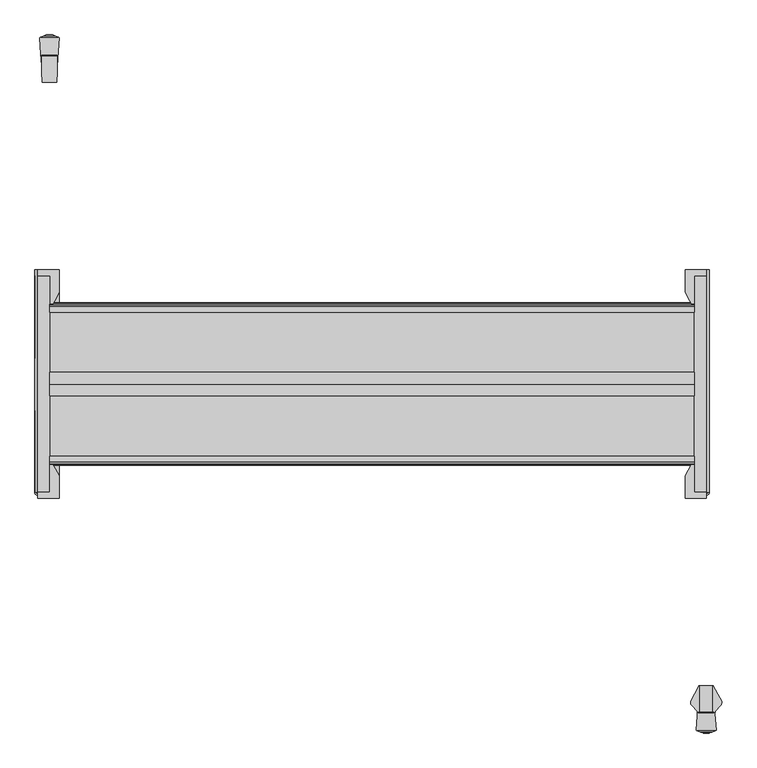
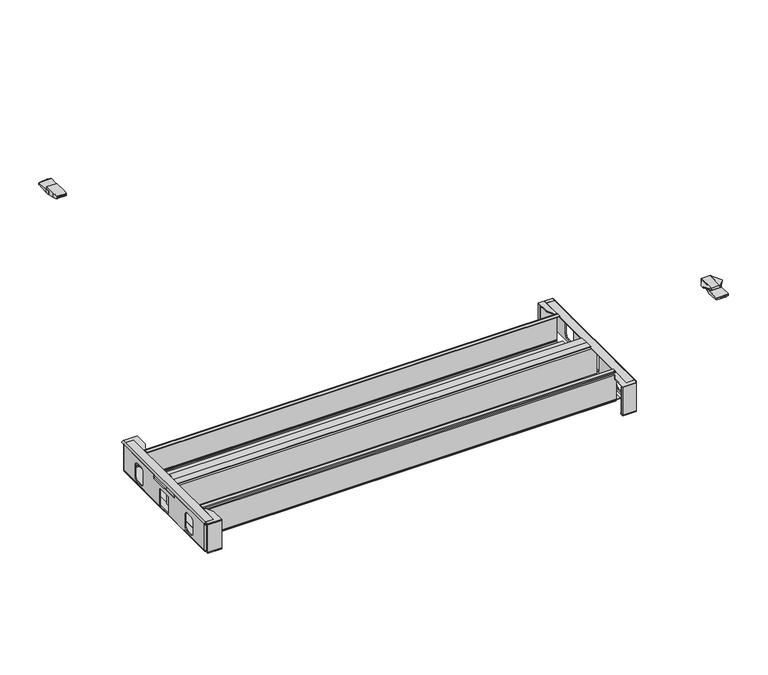
"""IFC4 building model written with IfcOpenShell, lengths in millimetres: furniture geometry."""

from ifc_helpers import new_model, si_unit, point, frame, frame_2d, origin, place, context, project, spatial, polyline, circle_curve, ellipse_curve, trimmed, segment, composite_curve, outline, extrude, faceted_brep, source, transform, mapped, element, save
from ifc_brep_helpers import plane_surface, cylinder_surface, advanced_brep


def furniture_af46936d(model_context):
    return source(origin(), model_context, "Body", "SolidModel", [
        advanced_brep(
        [(-675.4317452, 1071.8221186, 1017.7130243), (-675.4317452, 1075.6963371, 1016.9270984), (-675.4317452, 1077.8255676, 1016.6538593), (-675.4317452, 1079.7968499, 1016.5113535), (-675.4317452, 1081.8293203, 1016.5263235), (-675.4317452, 1083.869203, 1016.7748548), (-675.4317452, 1091.5328704, 1029.7916475), (-675.4317452, 1090.6843394, 1037.209), (-675.4317452, 1054.9216668, 1037.209), (-675.4317452, 1054.9216668, 1021.7486428), (-708.2451645, 1090.6843394, 1037.209), (-708.2451645, 1091.5328704, 1029.7916475), (-708.2451645, 1083.869203, 1016.7748548), (-708.2451645, 1081.8293203, 1016.5263235), (-708.2451645, 1079.7968499, 1016.5113535), (-708.2451645, 1077.8255676, 1016.6538593), (-708.2451645, 1075.6963371, 1016.9270984), (-708.2451645, 1071.8221186, 1017.7130243), (-708.2451645, 1056.0256731, 1021.4850198), (-708.2451645, 1056.0256731, 1037.209), (-707.3063131, 1035.6569697, 1037.209), (-705.6193974, 1034.3300757, 1037.209), (-678.0066255, 1034.3300757, 1037.209), (-676.3197098, 1035.6569697, 1037.209), (-706.4875126, 1034.5633827, 1033.8727211), (-677.1385102, 1034.5633827, 1033.8727211), (-706.8291096, 1034.8218335, 1032.277615), (-676.7969133, 1034.8218335, 1032.277615), (-707.1802739, 1035.3072326, 1030.7540161), (-676.445749, 1035.3072326, 1030.7540161), (-707.3063131, 1035.6569697, 1030.0612029), (-707.3229046, 1036.0169277, 1029.3481426), (-676.3031183, 1036.0169277, 1029.3481426), (-676.3197098, 1035.6569697, 1030.0612029), (-707.3646804, 1036.9232677, 1028.0897165), (-676.2613425, 1036.9232677, 1028.0897165), (-707.4167075, 1038.0520142, 1026.9530853), (-676.2093154, 1038.0520142, 1026.9530853), (-707.541025, 1040.7491243, 1025.2864719), (-676.0849979, 1040.7491243, 1025.2864719), (-707.6116573, 1042.2815162, 1024.7669542), (-676.0143656, 1042.2815162, 1024.7669542)],
        [
            (0, 1),
            (1, 2),
            (2, 3),
            (3, 4),
            (4, 5),
            (5, 6),
            (6, 7),
            (7, 8),
            (8, 9),
            (9, 0),
            (10, 11),
            (11, 12),
            (12, 13),
            (13, 14),
            (14, 15),
            (15, 16),
            (16, 17),
            (17, 18),
            (18, 19),
            (19, 10),
            (7, 10),
            (19, 20),
            (20, 21, circle_curve(frame((-705.6177592, 1036.0679158, 1037.209), z_axis=(0.0, 0.0, 1.0), x_axis=(1.0000000000000004, 0.0, 0.0)), 1.7378408)),
            (21, 22),
            (22, 23, circle_curve(frame((-678.0082636, 1036.0679158, 1037.209), z_axis=(0.0, 0.0, 1.0), x_axis=(-1.0000000000000004, 0.0, 0.0)), 1.7378408)),
            (23, 8),
            (21, 24, ellipse_curve(frame((-705.6177592, 1036.0679158, 1012.3579681), z_axis=(0.0, -0.997563808233696, -0.06975993479273002), x_axis=(0.0, 0.06975993479273002, -0.997563808233696)), 24.9117327, 1.7378408)),
            (24, 25),
            (25, 22, ellipse_curve(frame((-678.0082636, 1036.0679158, 1012.3579681), z_axis=(0.0, -0.997563808233696, -0.06975993479273002), x_axis=(0.0, 0.06975993479273002, -0.997563808233696)), 24.9117327, 1.7378408)),
            (24, 26, ellipse_curve(frame((-705.6177592, 1036.0679158, 1024.5870466), z_axis=(0.0, -0.9871264986508672, -0.15994147573809486), x_axis=(0.0, 0.15994147573809486, -0.9871264986508672)), 10.8654796, 1.7378408)),
            (26, 27),
            (27, 25, ellipse_curve(frame((-678.0082636, 1036.0679158, 1024.5870466), z_axis=(0.0, -0.9871264986508672, -0.15994147573809486), x_axis=(0.0, 0.15994147573809486, -0.9871264986508672)), 10.8654796, 1.7378408)),
            (26, 28, ellipse_curve(frame((-705.6177592, 1036.0679158, 1028.3663399), z_axis=(0.0, -0.9528141049574114, -0.3035544125757477), x_axis=(0.0, 0.3035544125757477, -0.9528141049574111)), 5.7249731, 1.7378408)),
            (28, 29),
            (29, 27, ellipse_curve(frame((-678.0082636, 1036.0679158, 1028.3663399), z_axis=(0.0, -0.9528141049574114, -0.3035544125757477), x_axis=(0.0, 0.3035544125757477, -0.9528141049574111)), 5.7249731, 1.7378408)),
            (30, 31),
            (31, 32),
            (32, 33),
            (33, 29, ellipse_curve(frame((-678.0082636, 1036.0679158, 1029.2471375), z_axis=(0.0, -0.8927040411549354, -0.45064342323576334), x_axis=(0.0, 0.45064342323576334, -0.8927040411549354)), 3.8563546, 1.7378408)),
            (28, 30, ellipse_curve(frame((-705.6177592, 1036.0679158, 1029.2471375), z_axis=(0.0, -0.8927040411549354, -0.45064342323576334), x_axis=(0.0, 0.45064342323576334, -0.8927040411549354)), 3.8563546, 1.7378408)),
            (31, 34),
            (34, 35),
            (35, 32),
            (34, 36),
            (36, 37),
            (37, 35),
            (36, 38),
            (38, 39),
            (39, 37),
            (38, 40),
            (40, 41),
            (41, 39),
            (17, 0),
            (9, 41),
            (40, 18),
            (16, 1),
            (15, 2),
            (14, 3),
            (13, 4),
            (12, 5),
            (11, 6),
            (30, 20),
            (23, 33),
        ],
        [
            plane_surface(frame((-675.4317452, 1076.1473996, 1037.209), z_axis=(1.0, 0.0, 0.0), x_axis=(0.0, -1.0, 0.0))),
            plane_surface(frame((-708.2451645, 1076.1473996, 1037.209), z_axis=(-1.0, 0.0, 0.0), x_axis=(0.0, 1.0, 0.0))),
            plane_surface(frame((-675.4317452, 1090.6843394, 1037.209), z_axis=(0.0, 0.0, 1.0), x_axis=(-1.0, 0.0, 0.0))),
            plane_surface(frame((-675.4317452, 1034.3300757, 1037.209), z_axis=(0.0, -0.997563808233696, -0.06975993479273002), x_axis=(-1.0, 0.0, 0.0))),
            plane_surface(frame((-675.4317452, 1034.5633827, 1033.8727211), z_axis=(0.0, -0.9871264986508672, -0.15994147573809486), x_axis=(-1.0, 0.0, 0.0))),
            plane_surface(frame((-675.4317452, 1034.8218335, 1032.277615), z_axis=(0.0, -0.9528141049574114, -0.3035544125757477), x_axis=(-1.0, 0.0, 0.0))),
            plane_surface(frame((-675.4317452, 1035.3072326, 1030.7540161), z_axis=(0.0, -0.8927040411549354, -0.45064342323576334), x_axis=(-1.0, 0.0, 0.0))),
            plane_surface(frame((-675.4317452, 1036.0169277, 1029.3481426), z_axis=(0.0, -0.8114507875380343, -0.5844207554526992), x_axis=(-1.0, 0.0, 0.0))),
            plane_surface(frame((-675.4317452, 1036.9232677, 1028.0897165), z_axis=(0.0, -0.7095635828811538, -0.704641413662907), x_axis=(-1.0, 0.0, 0.0))),
            plane_surface(frame((-675.4317452, 1038.0520142, 1026.9530853), z_axis=(0.0, -0.5256643953018257, -0.8506920379972802), x_axis=(-1.0, 0.0, 0.0))),
            plane_surface(frame((-675.4317452, 1040.7491243, 1025.2864719), z_axis=(0.0, -0.32107410172322687, -0.9470540751206464), x_axis=(-1.0, 0.0, 0.0))),
            plane_surface(frame((-675.4317452, 1042.2815162, 1024.7669542), z_axis=(0.0, -0.23225778917580214, -0.9726542650742702), x_axis=(-1.0, 0.0, 0.0))),
            plane_surface(frame((-675.4317452, 1071.8221186, 1017.7130243), z_axis=(0.0, -0.1988109622365402, -0.9800378570721546), x_axis=(-1.0, 0.0, 0.0))),
            plane_surface(frame((-675.4317452, 1075.6963371, 1016.9270984), z_axis=(0.0, -0.12728387031952282, -0.9918663298834591), x_axis=(-1.0, 0.0, 0.0))),
            plane_surface(frame((-675.4317452, 1077.8255676, 1016.6538593), z_axis=(0.0, -0.07210277493300893, -0.997397207659496), x_axis=(-1.0, 0.0, 0.0))),
            plane_surface(frame((-675.4317452, 1079.7968499, 1016.5113535), z_axis=(0.0, 0.007365229187275849, -0.9999728763316628), x_axis=(-1.0, 0.0, 0.0))),
            plane_surface(frame((-675.4317452, 1081.8293203, 1016.5263235), z_axis=(0.0, 0.12094176610084176, -0.992659603898743), x_axis=(-1.0, 0.0, 0.0))),
            plane_surface(frame((-675.4317452, 1083.869203, 1016.7748548), z_axis=(0.0, 0.8617394273144984, -0.5073511204399574), x_axis=(-1.0, 0.0, 0.0))),
            plane_surface(frame((-675.4317452, 1091.5328704, 1029.7916475), z_axis=(0.0, 0.9935200698495489, 0.11365681152551964), x_axis=(-1.0, 0.0, 0.0))),
            plane_surface(frame((-707.3063131, 1035.6569697, 1050.6978518), z_axis=(-0.9989394147117107, -0.04604395438518504, 0.0), x_axis=(0.0, 0.0, -1.0))),
            cylinder_surface(frame((-705.6177592, 1036.0679158, 1007.8853687), z_axis=(0.0, 0.0, -1.0), x_axis=(1.0000000000000004, 0.0, 0.0)), 1.7378408),
            plane_surface(frame((-673.6404627, 1093.784156, 1050.6978518), z_axis=(0.9989394147117103, -0.04604395438519144, 0.0), x_axis=(0.0, 0.0, -1.0))),
            cylinder_surface(frame((-678.0082636, 1036.0679158, 1007.8853687), z_axis=(0.0, 0.0, -1.0), x_axis=(-1.0000000000000004, 0.0, 0.0)), 1.7378408),
        ],
        [
            (0, [[1, 2, 3, 4, 5, 6, 7, 8, 9, 10]]),
            (1, [[11, 12, 13, 14, 15, 16, 17, 18, 19, 20]]),
            (2, [[21, -20, 22, 23, 24, 25, 26, -8]]),
            (3, [[27, 28, 29, -24]]),
            (4, [[30, 31, 32, -28]]),
            (5, [[33, 34, 35, -31]]),
            (6, [[36, 37, 38, 39, -34, 40]]),
            (7, [[41, 42, 43, -37]]),
            (8, [[44, 45, 46, -42]]),
            (9, [[47, 48, 49, -45]]),
            (10, [[50, 51, 52, -48]]),
            (11, [[53, -10, 54, -51, 55, -18]]),
            (12, [[-1, -53, -17, 56]]),
            (13, [[-2, -56, -16, 57]]),
            (14, [[-3, -57, -15, 58]]),
            (15, [[-4, -58, -14, 59]]),
            (16, [[-5, -59, -13, 60]]),
            (17, [[-6, -60, -12, 61]]),
            (18, [[-7, -61, -11, -21]]),
            (19, [[62, -22, -19, -55, -50, -47, -44, -41, -36]]),
            (20, [[-62, -40, -33, -30, -27, -23]]),
            (21, [[63, -38, -43, -46, -49, -52, -54, -9, -26]]),
            (22, [[-63, -25, -29, -32, -35, -39]]),
        ],
    ),
        faceted_brep([(-674.201947, 1080.6279947, 1029.223888), (-674.0056147, 1083.5645029, 1030.0697046), (-709.5145074, 1083.5645029, 1030.0697046), (-709.3791554, 1080.6279947, 1029.223888), (-674.3465732, 1078.4648454, 1027.3301699), (-709.2794497, 1078.4648454, 1027.3301699), (-674.4145724, 1077.4477927, 1025.0631571), (-709.2325708, 1077.4477927, 1025.0631571), (-674.4293768, 1077.2263672, 1023.7281368), (-709.2223647, 1077.2263672, 1023.7281368), (-674.4261142, 1077.2751651, 1022.446311), (-709.2246139, 1077.2751651, 1022.446311), (-674.4106539, 1077.506401, 1021.1650665), (-709.2352722, 1077.506401, 1021.1650665), (-674.3493839, 1078.4228058, 1019.326952), (-709.2775119, 1078.4228058, 1019.326952), (-674.2326986, 1080.1680481, 1017.6682596), (-709.3579551, 1080.1680481, 1017.6682596), (-674.0544858, 1082.8335468, 1016.6432495), (-709.4808155, 1082.8335468, 1016.6432495), (-673.962786, 1084.2050837, 1016.5717422), (-709.5440336, 1084.2050837, 1016.5717422), (-671.0473822, 1127.8102709, 1023.2389952), (-709.9855602, 1093.784156, 1018.0363867), (-710.5204622, 1093.784156, 1018.0363867), (-712.7954178, 1127.8102709, 1023.2389952), (-671.0040016, 1128.4591078, 1023.3389153), (-712.8387984, 1128.4591078, 1023.3389153), (-711.416104, 1129.5267722, 1023.5033343), (-708.0218056, 1130.7760783, 1023.695726), (-675.8209944, 1130.7760783, 1023.695726), (-672.426696, 1129.5267722, 1023.5033343), (-681.0962098, 1132.7176749, 1023.9930916), (-702.7465902, 1132.7176749, 1023.9930916), (-685.3723762, 1134.2915613, 1025.1280514), (-698.4704238, 1134.2915613, 1025.1280514), (-685.0005958, 1134.1547238, 1027.4254402), (-698.8422042, 1134.1547238, 1027.4254402), (-680.5815491, 1132.5282488, 1028.3600857), (-703.2612509, 1132.5282488, 1028.3600857), (-673.1840778, 1129.8055343, 1028.4561186), (-710.6587222, 1129.8055343, 1028.4561186), (-671.0040016, 1128.4591078, 1028.5031023), (-672.426696, 1129.5267722, 1028.465846), (-711.416104, 1129.5267722, 1028.465846), (-712.8387984, 1128.4591078, 1028.5031023), (-710.5204622, 1093.784156, 1029.7130886), (-709.9855602, 1093.784156, 1029.7130886)], [[[0, 1, 2, 3]], [[4, 0, 3, 5]], [[6, 4, 5, 7]], [[8, 6, 7, 9]], [[10, 8, 9, 11]], [[12, 10, 11, 13]], [[14, 12, 13, 15]], [[16, 14, 15, 17]], [[18, 16, 17, 19]], [[20, 18, 19, 21]], [[22, 20, 21, 23, 24, 25]], [[26, 22, 25, 27, 28, 29, 30, 31]], [[32, 30, 29, 33]], [[34, 32, 33, 35]], [[36, 34, 35, 37]], [[38, 36, 37, 39]], [[40, 38, 39, 41]], [[1, 42, 43, 40, 41, 44, 45, 46, 47, 2]], [[26, 42, 1, 0, 4, 6, 8, 10, 12, 14, 16, 18, 20, 22]], [[43, 31, 30, 32, 34, 36, 38, 40]], [[42, 26, 31, 43]], [[47, 23, 21, 19, 17, 15, 13, 11, 9, 7, 5, 3, 2]], [[23, 47, 46, 24]], [[45, 27, 25, 24, 46]], [[28, 44, 41, 39, 37, 35, 33, 29]], [[44, 28, 27, 45]]]),
        advanced_brep(
        [(677.6331697, -236.8376979, 1037.209), (677.6331697, -236.8376979, 1029.9601819), (676.51166, -236.8376979, 1029.8867914), (676.51166, -236.8376979, 1037.209), (673.3278093, -292.3108353, 1033.5228106), (673.4778673, -292.3108353, 1031.2297138), (673.8572398, -292.3108353, 1029.7130886), (677.6331697, -292.3108353, 1029.9601819), (677.6331697, -292.3108353, 1037.209), (672.9573081, -292.3108353, 1037.209), (672.9573081, -292.3108353, 1033.8693631), (659.2556977, -268.3887657, 1037.209), (659.2556977, -273.574185, 1037.209), (661.1637879, -277.1627808, 1037.209), (672.9573081, -290.3611382, 1037.209), (659.5338057, -267.8802687, 1036.2591307), (659.5338057, -274.4880103, 1036.2591307), (660.124758, -266.7997624, 1035.4654291), (660.124758, -275.7454594, 1035.4654291), (661.0021754, -265.195479, 1034.9271625), (661.0021754, -276.9805945, 1034.9271625), (663.834924, -260.0160377, 1034.7095886), (663.834924, -280.152101, 1034.7095886), (661.1637879, -277.1627808, 1034.9147496), (672.05964, -244.9778401, 1034.7090072), (672.05964, -289.3565404, 1034.7090072), (673.3278093, -242.6590997, 1033.5228106), (672.9573081, -290.3611382, 1033.8693631), (673.4778673, -242.3847313, 1031.2297138), (673.8572398, -241.6910808, 1029.7130886)],
        [
            (0, 1),
            (1, 2),
            (2, 3),
            (3, 0),
            (4, 5),
            (5, 6),
            (6, 7),
            (7, 8),
            (8, 9),
            (9, 10),
            (10, 4),
            (8, 0),
            (3, 11),
            (11, 12),
            (12, 13, circle_curve(frame((667.1824137, -271.661048, 1037.209), z_axis=(0.0, 0.0, 1.0), x_axis=(1.0, 0.0, 0.0)), 8.1543192)),
            (13, 14),
            (14, 9),
            (11, 15),
            (15, 16),
            (16, 12, ellipse_curve(frame((667.1824137, -271.661048, 1010.1355466), z_axis=(-0.9597108497777287, 0.0, -0.28098947456961776), x_axis=(0.28098947456961776, 0.0, -0.9597108497777287)), 29.0200165, 8.1543192)),
            (15, 17),
            (17, 18),
            (18, 16, ellipse_curve(frame((667.1824137, -271.661048, 1025.9863691), z_axis=(-0.8020925083963487, 0.0, -0.597199805738794), x_axis=(0.5971998057387942, 0.0, -0.8020925083963487)), 13.6542563, 8.1543192)),
            (17, 19),
            (19, 20),
            (20, 18, ellipse_curve(frame((667.1824137, -271.661048, 1031.1357905), z_axis=(-0.5229113139159309, 0.0, -0.8523870938597762), x_axis=(0.8523870938597762, 0.0, -0.5229113139159307)), 9.5664508, 8.1543192)),
            (19, 21),
            (21, 22),
            (22, 23),
            (23, 20, ellipse_curve(frame((667.1824137, -271.661048, 1034.4524791), z_axis=(-0.07658109560408621, 0.0, -0.9970633559589269), x_axis=(0.9970633559589269, 0.0, -0.076581095604086)), 8.178336, 8.1543192)),
            (21, 24),
            (24, 25),
            (25, 22),
            (26, 4),
            (10, 27),
            (27, 25),
            (24, 26),
            (26, 28),
            (28, 5),
            (28, 29),
            (29, 6),
            (29, 2),
            (1, 7),
            (27, 14),
            (13, 23),
        ],
        [
            plane_surface(frame((677.6331697, -236.8376979, 1029.7916475), z_axis=(0.0, 1.0, 0.0), x_axis=(0.0, 0.0, -1.0))),
            plane_surface(frame((677.6331697, -292.3108353, 1029.7916475), z_axis=(0.0, -1.0, 0.0), x_axis=(0.0, 0.0, 1.0))),
            plane_surface(frame((659.2556977, -236.8376979, 1037.209), z_axis=(0.0, 0.0, 1.0), x_axis=(0.0, -1.0, 0.0))),
            plane_surface(frame((659.5338057, -236.8376979, 1036.2591307), z_axis=(-0.9597108497777287, 0.0, -0.28098947456961776), x_axis=(0.0, -1.0, 0.0))),
            plane_surface(frame((660.124758, -236.8376979, 1035.4654291), z_axis=(-0.8020925083963487, 0.0, -0.597199805738794), x_axis=(0.0, -1.0, 0.0))),
            plane_surface(frame((661.0021754, -236.8376979, 1034.9271625), z_axis=(-0.5229113139159309, 0.0, -0.8523870938597762), x_axis=(0.0, -1.0, 0.0))),
            plane_surface(frame((663.834924, -236.8376979, 1034.7095886), z_axis=(-0.07658109560408621, 0.0, -0.9970633559589269), x_axis=(0.0, -1.0, 0.0))),
            plane_surface(frame((672.05964, -236.8376979, 1034.7090072), z_axis=(-7.068449081192285e-05, 0.0, -0.9999999975018514), x_axis=(0.0, -1.0, 0.0))),
            plane_surface(frame((673.3278093, -236.8376979, 1033.5228106), z_axis=(-0.6831094450823834, 0.0, -0.730316017925965), x_axis=(0.0, -1.0, 0.0))),
            plane_surface(frame((673.4778673, -236.8376979, 1031.2297138), z_axis=(-0.9978657180161974, 0.0, -0.06529937831265213), x_axis=(0.0, -1.0, 0.0))),
            plane_surface(frame((673.8572398, -236.8376979, 1029.7130886), z_axis=(-0.9701099565798296, 0.0, -0.24266576220118327), x_axis=(0.0, -1.0, 0.0))),
            plane_surface(frame((677.6331697, -236.8376979, 1029.9601819), z_axis=(0.06529937831268313, 0.0, -0.9978657180161954), x_axis=(0.0, -1.0, 0.0))),
            plane_surface(frame((677.6331697, -236.8376979, 1037.209), z_axis=(1.0, 0.0, 0.0), x_axis=(0.0, -1.0, 0.0))),
            plane_surface(frame((658.8963549, -269.0457936, 1067.1304045), z_axis=(-0.8773539056662283, 0.4798438539902486, 0.0), x_axis=(0.0, 0.0, -1.0))),
            plane_surface(frame((672.9573081, -290.3611382, 1044.0028547), z_axis=(-0.745677339865646, -0.6663072150373984, 0.0), x_axis=(0.0, 0.0, -1.0))),
            plane_surface(frame((672.9573081, -293.5374645, 1044.0028547), z_axis=(-1.0, 0.0, 0.0), x_axis=(0.0, 0.0, -1.0))),
            cylinder_surface(frame((667.1824137, -271.661048, 344.6554878), z_axis=(0.0, 0.0, -1.0), x_axis=(1.0, 0.0, 0.0)), 8.1543192),
        ],
        [
            (0, [[1, 2, 3, 4]]),
            (1, [[5, 6, 7, 8, 9, 10, 11]]),
            (2, [[12, -4, 13, 14, 15, 16, 17, -9]]),
            (3, [[18, 19, 20, -14]]),
            (4, [[21, 22, 23, -19]]),
            (5, [[24, 25, 26, -22]]),
            (6, [[27, 28, 29, 30, -25]]),
            (7, [[31, 32, 33, -28]]),
            (8, [[34, -11, 35, 36, -32, 37]]),
            (9, [[-5, -34, 38, 39]]),
            (10, [[-6, -39, 40, 41]]),
            (11, [[-7, -41, 42, -2, 43]]),
            (12, [[-1, -12, -8, -43]]),
            (13, [[-3, -42, -40, -38, -37, -31, -27, -24, -21, -18, -13]]),
            (14, [[44, -16, 45, -29, -33, -36]]),
            (15, [[-44, -35, -10, -17]]),
            (16, [[-15, -20, -23, -26, -30, -45]]),
        ],
    ),
        advanced_brep(
        [(706.2096303, -236.8376979, 1029.9601819), (706.2096303, -236.8376979, 1037.209), (707.33114, -236.8376979, 1037.209), (707.33114, -236.8376979, 1029.8867914), (706.2096303, -292.3108353, 1037.209), (706.2096303, -292.3108353, 1029.9601819), (709.9855602, -292.3108353, 1029.7130886), (710.3649327, -292.3108353, 1031.2297138), (710.5149907, -292.3108353, 1033.5228106), (710.8854919, -292.3108353, 1033.8693631), (710.8854919, -292.3108353, 1037.209), (710.8854919, -290.3611382, 1037.209), (722.6790121, -277.1627808, 1037.209), (724.5871023, -273.574185, 1037.209), (724.5871023, -268.3887657, 1037.209), (724.3089943, -267.8802687, 1036.2591307), (724.3089943, -274.4880103, 1036.2591307), (723.718042, -266.7997624, 1035.4654291), (723.718042, -275.7454594, 1035.4654291), (722.8406246, -265.195479, 1034.9271625), (722.8406246, -276.9805945, 1034.9271625), (720.007876, -260.0160377, 1034.7095886), (722.6790121, -277.1627808, 1034.9147496), (720.007876, -280.152101, 1034.7095886), (711.78316, -244.9778401, 1034.7090072), (711.78316, -289.3565404, 1034.7090072), (710.5149907, -242.6590997, 1033.5228106), (710.8854919, -290.3611382, 1033.8693631), (710.3649327, -242.3847313, 1031.2297138), (709.9855602, -241.6910808, 1029.7130886)],
        [
            (0, 1),
            (1, 2),
            (2, 3),
            (3, 0),
            (4, 5),
            (5, 6),
            (6, 7),
            (7, 8),
            (8, 9),
            (9, 10),
            (10, 4),
            (1, 4),
            (10, 11),
            (11, 12),
            (12, 13, circle_curve(frame((716.6603863, -271.661048, 1037.209), z_axis=(0.0, 0.0, 1.0), x_axis=(-1.0, 0.0, 0.0)), 8.1543192)),
            (13, 14),
            (14, 2),
            (15, 14),
            (13, 16, ellipse_curve(frame((716.6603863, -271.661048, 1010.1355466), z_axis=(0.9597108497777287, 0.0, -0.28098947456961776), x_axis=(-0.28098947456961776, 0.0, -0.9597108497777287)), 29.0200165, 8.1543192)),
            (16, 15),
            (17, 15),
            (16, 18, ellipse_curve(frame((716.6603863, -271.661048, 1025.9863691), z_axis=(0.8020925083963487, 0.0, -0.597199805738794), x_axis=(-0.5971998057387942, 0.0, -0.8020925083963487)), 13.6542563, 8.1543192)),
            (18, 17),
            (19, 17),
            (18, 20, ellipse_curve(frame((716.6603863, -271.661048, 1031.1357905), z_axis=(0.5229113139159309, 0.0, -0.8523870938597762), x_axis=(-0.8523870938597762, 0.0, -0.5229113139159307)), 9.5664508, 8.1543192)),
            (20, 19),
            (21, 19),
            (20, 22, ellipse_curve(frame((716.6603863, -271.661048, 1034.4524791), z_axis=(0.07658109560408916, 0.0, -0.9970633559589267), x_axis=(-0.9970633559589266, 0.0, -0.07658109560408885)), 8.178336, 8.1543192)),
            (22, 23),
            (23, 21),
            (24, 21),
            (23, 25),
            (25, 24),
            (8, 26),
            (26, 24),
            (25, 27),
            (27, 9),
            (7, 28),
            (28, 26),
            (6, 29),
            (29, 28),
            (5, 0),
            (3, 29),
            (11, 27),
            (22, 12),
        ],
        [
            plane_surface(frame((708.2451645, -236.8376979, 1037.209), z_axis=(0.0, 1.0, 0.0), x_axis=(1.0, 0.0, 0.0))),
            plane_surface(frame((708.2451645, -292.3108353, 1037.209), z_axis=(0.0, -1.0, 0.0), x_axis=(-1.0, 0.0, 0.0))),
            plane_surface(frame((706.2096303, -236.8376979, 1037.209), z_axis=(0.0, 0.0, 1.0), x_axis=(0.0, -1.0, 0.0))),
            plane_surface(frame((724.5871023, -236.8376979, 1037.209), z_axis=(0.9597108497777287, 0.0, -0.28098947456961776), x_axis=(0.0, -1.0, 0.0))),
            plane_surface(frame((724.3089943, -236.8376979, 1036.2591307), z_axis=(0.8020925083963487, 0.0, -0.597199805738794), x_axis=(0.0, -1.0, 0.0))),
            plane_surface(frame((723.718042, -236.8376979, 1035.4654291), z_axis=(0.5229113139159309, 0.0, -0.8523870938597762), x_axis=(0.0, -1.0, 0.0))),
            plane_surface(frame((722.8406246, -236.8376979, 1034.9271625), z_axis=(0.07658109560408916, 0.0, -0.9970633559589267), x_axis=(0.0, -1.0, 0.0))),
            plane_surface(frame((720.007876, -236.8376979, 1034.7095886), z_axis=(7.068449081192191e-05, 0.0, -0.9999999975018514), x_axis=(0.0, -1.0, 0.0))),
            plane_surface(frame((711.78316, -236.8376979, 1034.7090072), z_axis=(0.6831094450823831, 0.0, -0.7303160179259652), x_axis=(0.0, -1.0, 0.0))),
            plane_surface(frame((710.5149907, -236.8376979, 1033.5228106), z_axis=(0.9978657180161974, 0.0, -0.06529937831265213), x_axis=(0.0, -1.0, 0.0))),
            plane_surface(frame((710.3649327, -236.8376979, 1031.2297138), z_axis=(0.9701099565798296, 0.0, -0.24266576220118327), x_axis=(0.0, -1.0, 0.0))),
            plane_surface(frame((709.9855602, -236.8376979, 1029.7130886), z_axis=(-0.0652993783126831, 0.0, -0.9978657180161954), x_axis=(0.0, -1.0, 0.0))),
            plane_surface(frame((706.2096303, -236.8376979, 1029.9601819), z_axis=(-1.0, 0.0, 0.0), x_axis=(0.0, -1.0, 0.0))),
            plane_surface(frame((707.33114, -236.8376979, 1067.1304045), z_axis=(0.8773539056662283, 0.4798438539902486, 0.0), x_axis=(0.0, 0.0, -1.0))),
            plane_surface(frame((722.6790121, -277.1627808, 1044.0028547), z_axis=(0.745677339865646, -0.6663072150373984, 0.0), x_axis=(0.0, 0.0, -1.0))),
            plane_surface(frame((710.8854919, -290.3611382, 1044.0028547), z_axis=(1.0, 0.0, 0.0), x_axis=(0.0, 0.0, -1.0))),
            cylinder_surface(frame((716.6603863, -271.661048, 344.6554878), z_axis=(0.0, 0.0, -1.0), x_axis=(-1.0, 0.0, 0.0)), 8.1543192),
        ],
        [
            (0, [[1, 2, 3, 4]]),
            (1, [[5, 6, 7, 8, 9, 10, 11]]),
            (2, [[12, -11, 13, 14, 15, 16, 17, -2]]),
            (3, [[18, -16, 19, 20]]),
            (4, [[21, -20, 22, 23]]),
            (5, [[24, -23, 25, 26]]),
            (6, [[27, -26, 28, 29, 30]]),
            (7, [[31, -30, 32, 33]]),
            (8, [[34, 35, -33, 36, 37, -9]]),
            (9, [[-8, 38, 39, -34]]),
            (10, [[-7, 40, 41, -38]]),
            (11, [[-6, 42, -4, 43, -40]]),
            (12, [[-1, -42, -5, -12]]),
            (13, [[-3, -17, -18, -21, -24, -27, -31, -35, -39, -41, -43]]),
            (14, [[44, -36, -32, -29, 45, -14]]),
            (15, [[-44, -13, -10, -37]]),
            (16, [[-15, -45, -28, -25, -22, -19]]),
        ],
    ),
        advanced_brep(
        [(675.4317452, -273.2969187, 1017.7130243), (675.4317452, -277.1711372, 1016.9270984), (675.4317452, -279.3003677, 1016.6538593), (675.4317452, -281.2716499, 1016.5113535), (675.4317452, -283.3041204, 1016.5263235), (675.4317452, -285.3440031, 1016.7748548), (675.4317452, -293.0076705, 1029.7916475), (675.4317452, -292.1591395, 1037.209), (675.4317452, -256.3964669, 1037.209), (675.4317452, -256.3964669, 1021.7486428), (708.2451645, -292.1591395, 1037.209), (708.2451645, -293.0076705, 1029.7916475), (708.2451645, -285.3440031, 1016.7748548), (708.2451645, -283.3041204, 1016.5263235), (708.2451645, -281.2716499, 1016.5113535), (708.2451645, -279.3003677, 1016.6538593), (708.2451645, -277.1711372, 1016.9270984), (708.2451645, -273.2969187, 1017.7130243), (708.2451645, -257.5004732, 1021.4850198), (708.2451645, -257.5004732, 1037.209), (707.3063131, -237.1317698, 1037.209), (705.6193974, -235.8048758, 1037.209), (678.0066255, -235.8048758, 1037.209), (676.3197098, -237.1317698, 1037.209), (706.4875126, -236.0381827, 1033.8727211), (677.1385102, -236.0381827, 1033.8727211), (706.8291096, -236.2966335, 1032.277615), (676.7969133, -236.2966335, 1032.277615), (707.1802739, -236.7820327, 1030.7540161), (676.445749, -236.7820327, 1030.7540161), (707.3063131, -237.1317698, 1030.0612029), (707.3229046, -237.4917277, 1029.3481426), (676.3031183, -237.4917277, 1029.3481426), (676.3197098, -237.1317698, 1030.0612029), (707.3646804, -238.3980678, 1028.0897165), (676.2613425, -238.3980678, 1028.0897165), (707.4167075, -239.5268143, 1026.9530853), (676.2093154, -239.5268143, 1026.9530853), (707.541025, -242.2239244, 1025.2864719), (676.0849979, -242.2239244, 1025.2864719), (707.6116573, -243.7563163, 1024.7669542), (676.0143656, -243.7563163, 1024.7669542)],
        [
            (0, 1),
            (1, 2),
            (2, 3),
            (3, 4),
            (4, 5),
            (5, 6),
            (6, 7),
            (7, 8),
            (8, 9),
            (9, 0),
            (10, 11),
            (11, 12),
            (12, 13),
            (13, 14),
            (14, 15),
            (15, 16),
            (16, 17),
            (17, 18),
            (18, 19),
            (19, 10),
            (7, 10),
            (19, 20),
            (20, 21, circle_curve(frame((705.6177592, -237.5427158, 1037.209), z_axis=(0.0, 0.0, 1.0), x_axis=(-1.0, 0.0, 0.0)), 1.7378408)),
            (21, 22),
            (22, 23, circle_curve(frame((678.0082636, -237.5427158, 1037.209), z_axis=(0.0, 0.0, 1.0), x_axis=(1.0, 0.0, 0.0)), 1.7378408)),
            (23, 8),
            (21, 24, ellipse_curve(frame((705.6177592, -237.5427158, 1012.3579681), z_axis=(0.0, 0.997563808233696, -0.06975993479272999), x_axis=(0.0, -0.06975993479272999, -0.997563808233696)), 24.9117327, 1.7378408)),
            (24, 25),
            (25, 22, ellipse_curve(frame((678.0082636, -237.5427158, 1012.3579681), z_axis=(0.0, 0.997563808233696, -0.06975993479272999), x_axis=(0.0, -0.06975993479272999, -0.997563808233696)), 24.9117327, 1.7378408)),
            (24, 26, ellipse_curve(frame((705.6177592, -237.5427158, 1024.5870466), z_axis=(0.0, 0.9871264986508672, -0.15994147573809478), x_axis=(0.0, -0.1599414757380948, -0.9871264986508672)), 10.8654796, 1.7378408)),
            (26, 27),
            (27, 25, ellipse_curve(frame((678.0082636, -237.5427158, 1024.5870466), z_axis=(0.0, 0.9871264986508672, -0.15994147573809478), x_axis=(0.0, -0.1599414757380948, -0.9871264986508672)), 10.8654796, 1.7378408)),
            (26, 28, ellipse_curve(frame((705.6177592, -237.5427158, 1028.3663399), z_axis=(0.0, 0.9528141049574114, -0.3035544125757476), x_axis=(0.0, -0.3035544125757476, -0.9528141049574113)), 5.7249731, 1.7378408)),
            (28, 29),
            (29, 27, ellipse_curve(frame((678.0082636, -237.5427158, 1028.3663399), z_axis=(0.0, 0.9528141049574114, -0.3035544125757476), x_axis=(0.0, -0.3035544125757476, -0.9528141049574113)), 5.7249731, 1.7378408)),
            (30, 31),
            (31, 32),
            (32, 33),
            (33, 29, ellipse_curve(frame((678.0082636, -237.5427158, 1029.2471375), z_axis=(0.0, 0.8927040411549356, -0.45064342323576323), x_axis=(0.0, -0.45064342323576323, -0.8927040411549354)), 3.8563546, 1.7378408)),
            (28, 30, ellipse_curve(frame((705.6177592, -237.5427158, 1029.2471375), z_axis=(0.0, 0.8927040411549356, -0.45064342323576323), x_axis=(0.0, -0.45064342323576323, -0.8927040411549354)), 3.8563546, 1.7378408)),
            (31, 34),
            (34, 35),
            (35, 32),
            (34, 36),
            (36, 37),
            (37, 35),
            (36, 38),
            (38, 39),
            (39, 37),
            (38, 40),
            (40, 41),
            (41, 39),
            (17, 0),
            (9, 41),
            (40, 18),
            (16, 1),
            (15, 2),
            (14, 3),
            (13, 4),
            (12, 5),
            (11, 6),
            (30, 20),
            (23, 33),
        ],
        [
            plane_surface(frame((675.4317452, -277.6221997, 1037.209), z_axis=(-1.0, 0.0, 0.0), x_axis=(0.0, 1.0, 0.0))),
            plane_surface(frame((708.2451645, -277.6221997, 1037.209), z_axis=(1.0, 0.0, 0.0), x_axis=(0.0, -1.0, 0.0))),
            plane_surface(frame((675.4317452, -292.1591395, 1037.209), z_axis=(0.0, 0.0, 1.0), x_axis=(1.0, 0.0, 0.0))),
            plane_surface(frame((675.4317452, -235.8048758, 1037.209), z_axis=(0.0, 0.997563808233696, -0.06975993479272999), x_axis=(1.0, 0.0, 0.0))),
            plane_surface(frame((675.4317452, -236.0381827, 1033.8727211), z_axis=(0.0, 0.9871264986508672, -0.15994147573809478), x_axis=(1.0, 0.0, 0.0))),
            plane_surface(frame((675.4317452, -236.2966335, 1032.277615), z_axis=(0.0, 0.9528141049574114, -0.3035544125757476), x_axis=(1.0, 0.0, 0.0))),
            plane_surface(frame((675.4317452, -236.7820327, 1030.7540161), z_axis=(0.0, 0.8927040411549356, -0.45064342323576323), x_axis=(1.0, 0.0, 0.0))),
            plane_surface(frame((675.4317452, -237.4917277, 1029.3481426), z_axis=(0.0, 0.8114507875380346, -0.5844207554526991), x_axis=(1.0, 0.0, 0.0))),
            plane_surface(frame((675.4317452, -238.3980678, 1028.0897165), z_axis=(0.0, 0.709563582881154, -0.7046414136629068), x_axis=(1.0, 0.0, 0.0))),
            plane_surface(frame((675.4317452, -239.5268143, 1026.9530853), z_axis=(0.0, 0.5256643953018258, -0.8506920379972801), x_axis=(1.0, 0.0, 0.0))),
            plane_surface(frame((675.4317452, -242.2239244, 1025.2864719), z_axis=(0.0, 0.32107410172322703, -0.9470540751206464), x_axis=(1.0, 0.0, 0.0))),
            plane_surface(frame((675.4317452, -243.7563163, 1024.7669542), z_axis=(0.0, 0.23225778917580225, -0.9726542650742702), x_axis=(1.0, 0.0, 0.0))),
            plane_surface(frame((675.4317452, -273.2969187, 1017.7130243), z_axis=(0.0, 0.1988109622365403, -0.9800378570721546), x_axis=(1.0, 0.0, 0.0))),
            plane_surface(frame((675.4317452, -277.1711372, 1016.9270984), z_axis=(0.0, 0.12728387031952287, -0.9918663298834591), x_axis=(1.0, 0.0, 0.0))),
            plane_surface(frame((675.4317452, -279.3003677, 1016.6538593), z_axis=(0.0, 0.07210277493300896, -0.997397207659496), x_axis=(1.0, 0.0, 0.0))),
            plane_surface(frame((675.4317452, -281.2716499, 1016.5113535), z_axis=(0.0, -0.007365229187275853, -0.9999728763316628), x_axis=(1.0, 0.0, 0.0))),
            plane_surface(frame((675.4317452, -283.3041204, 1016.5263235), z_axis=(0.0, -0.12094176610084181, -0.992659603898743), x_axis=(1.0, 0.0, 0.0))),
            plane_surface(frame((675.4317452, -285.3440031, 1016.7748548), z_axis=(0.0, -0.8617394273144986, -0.5073511204399573), x_axis=(1.0, 0.0, 0.0))),
            plane_surface(frame((675.4317452, -293.0076705, 1029.7916475), z_axis=(0.0, -0.9935200698495489, 0.11365681152551958), x_axis=(1.0, 0.0, 0.0))),
            plane_surface(frame((707.3063131, -237.1317698, 1050.6978518), z_axis=(0.9989394147117105, 0.04604395438518826, 0.0), x_axis=(0.0, 0.0, -1.0))),
            cylinder_surface(frame((705.6177592, -237.5427158, 1007.8853687), z_axis=(0.0, 0.0, -1.0), x_axis=(-1.0, 0.0, 0.0)), 1.7378408),
            plane_surface(frame((673.6404627, -295.2589561, 1050.6978518), z_axis=(-0.9989394147117104, 0.04604395438518822, 0.0), x_axis=(0.0, 0.0, -1.0))),
            cylinder_surface(frame((678.0082636, -237.5427158, 1007.8853687), z_axis=(0.0, 0.0, -1.0), x_axis=(1.0, 0.0, 0.0)), 1.7378408),
        ],
        [
            (0, [[1, 2, 3, 4, 5, 6, 7, 8, 9, 10]]),
            (1, [[11, 12, 13, 14, 15, 16, 17, 18, 19, 20]]),
            (2, [[21, -20, 22, 23, 24, 25, 26, -8]]),
            (3, [[27, 28, 29, -24]]),
            (4, [[30, 31, 32, -28]]),
            (5, [[33, 34, 35, -31]]),
            (6, [[36, 37, 38, 39, -34, 40]]),
            (7, [[41, 42, 43, -37]]),
            (8, [[44, 45, 46, -42]]),
            (9, [[47, 48, 49, -45]]),
            (10, [[50, 51, 52, -48]]),
            (11, [[53, -10, 54, -51, 55, -18]]),
            (12, [[-1, -53, -17, 56]]),
            (13, [[-2, -56, -16, 57]]),
            (14, [[-3, -57, -15, 58]]),
            (15, [[-4, -58, -14, 59]]),
            (16, [[-5, -59, -13, 60]]),
            (17, [[-6, -60, -12, 61]]),
            (18, [[-7, -61, -11, -21]]),
            (19, [[62, -22, -19, -55, -50, -47, -44, -41, -36]]),
            (20, [[-62, -40, -33, -30, -27, -23]]),
            (21, [[63, -38, -43, -46, -49, -52, -54, -9, -26]]),
            (22, [[-63, -25, -29, -32, -35, -39]]),
        ],
    ),
        faceted_brep([(674.201947, -282.1027948, 1029.223888), (674.0056147, -285.039303, 1030.0697046), (709.5145074, -285.039303, 1030.0697046), (709.3791554, -282.1027948, 1029.223888), (674.3465732, -279.9396455, 1027.3301699), (709.2794497, -279.9396455, 1027.3301699), (674.4145724, -278.9225927, 1025.0631571), (709.2325708, -278.9225927, 1025.0631571), (674.4293768, -278.7011673, 1023.7281368), (709.2223647, -278.7011673, 1023.7281368), (674.4261142, -278.7499652, 1022.446311), (709.2246139, -278.7499652, 1022.446311), (674.4106539, -278.9812011, 1021.1650665), (709.2352722, -278.9812011, 1021.1650665), (674.3493839, -279.8976059, 1019.326952), (709.2775119, -279.8976059, 1019.326952), (674.2326986, -281.6428482, 1017.6682596), (709.3579551, -281.6428482, 1017.6682596), (674.0544858, -284.3083469, 1016.6432495), (709.4808155, -284.3083469, 1016.6432495), (673.962786, -285.6798838, 1016.5717422), (709.5440336, -285.6798838, 1016.5717422), (671.0473822, -329.285071, 1023.2389952), (709.9855602, -295.2589561, 1018.0363867), (710.5204622, -295.2589561, 1018.0363867), (712.7954178, -329.285071, 1023.2389952), (671.0040016, -329.9339079, 1023.3389153), (712.8387984, -329.9339079, 1023.3389153), (711.416104, -331.0015723, 1023.5033343), (708.0218056, -332.2508783, 1023.695726), (675.8209944, -332.2508783, 1023.695726), (672.426696, -331.0015723, 1023.5033343), (681.0962098, -334.1924749, 1023.9930916), (702.7465902, -334.1924749, 1023.9930916), (685.3723762, -335.7663614, 1025.1280514), (698.4704238, -335.7663614, 1025.1280514), (685.0005958, -335.6295239, 1027.4254402), (698.8422042, -335.6295239, 1027.4254402), (680.5815491, -334.0030488, 1028.3600857), (703.2612509, -334.0030488, 1028.3600857), (673.1840778, -331.2803344, 1028.4561186), (710.6587222, -331.2803344, 1028.4561186), (671.0040016, -329.9339079, 1028.5031023), (672.426696, -331.0015723, 1028.465846), (711.416104, -331.0015723, 1028.465846), (712.8387984, -329.9339079, 1028.5031023), (710.5204622, -295.2589561, 1029.7130886), (709.9855602, -295.2589561, 1029.7130886)], [[[0, 1, 2, 3]], [[4, 0, 3, 5]], [[6, 4, 5, 7]], [[8, 6, 7, 9]], [[10, 8, 9, 11]], [[12, 10, 11, 13]], [[14, 12, 13, 15]], [[16, 14, 15, 17]], [[18, 16, 17, 19]], [[20, 18, 19, 21]], [[22, 20, 21, 23, 24, 25]], [[26, 22, 25, 27, 28, 29, 30, 31]], [[32, 30, 29, 33]], [[34, 32, 33, 35]], [[36, 34, 35, 37]], [[38, 36, 37, 39]], [[40, 38, 39, 41]], [[1, 42, 43, 40, 41, 44, 45, 46, 47, 2]], [[26, 42, 1, 0, 4, 6, 8, 10, 12, 14, 16, 18, 20, 22]], [[43, 31, 30, 32, 34, 36, 38, 40]], [[42, 26, 31, 43]], [[47, 23, 21, 19, 17, 15, 13, 11, 9, 7, 5, 3, 2]], [[23, 47, 46, 24]], [[45, 27, 25, 24, 46]], [[28, 44, 41, 39, 37, 35, 33, 29]], [[44, 28, 27, 45]]]),
        extrude(outline(polyline([(235.5330134, 432.1810157), (232.3580074, 431.3302682), (230.0337488, 429.0059915), (229.1830013, 425.8310036), (229.1830013, 340.2751793), (229.1830013, 338.0914349), (230.0320594, 334.9226842), (232.3563179, 332.5984075), (235.531324, 331.74766), (397.7786116, 331.74766), (562.8273164, 331.74766), (566.0023225, 332.5984075), (568.326581, 334.9226842), (569.1756391, 338.0914349), (569.1756391, 340.2751793), (569.1756391, 425.8310036), (568.3248916, 429.0059915), (566.000633, 431.3302682), (562.825627, 432.1810157), (550.4073577, 432.1810157), (550.4073577, 433.4002), (562.825627, 433.4002), (566.6102252, 432.3861267), (569.4215919, 429.4631947), (570.3948234, 425.8310036), (570.3948234, 340.2751793), (570.3948234, 338.091367), (569.3824396, 334.3130557), (566.6119146, 331.542549), (562.8273164, 330.5284757), (398.8377457, 330.5284757), (235.531324, 330.5284757), (231.7467258, 331.542549), (228.9762009, 334.3130557), (227.963817, 338.091367), (227.963817, 340.2751793), (227.963817, 425.8310036), (228.9370485, 429.4631947), (231.7484152, 432.3861267), (235.5330134, 433.4002), (246.663566, 433.4002), (246.663566, 432.1810157), (235.5330134, 432.1810157)])), frame((-690.766129, 0.0, 0.0), z_axis=(1.0, 0.0, 0.0), x_axis=(0.0, 1.0, 0.0)), (0.0, 0.0, 1.0), 1357.2985348),
        extrude(outline(polyline([(424.3986156, 432.1810157), (396.9389352, 432.1810157), (374.3606156, 432.1810157), (374.3606156, 433.4002), (397.785447, 433.4002), (424.3986156, 433.4002), (424.3986156, 432.1810157)])), frame((-690.766129, 0.0, 0.0), z_axis=(1.0, 0.0, 0.0), x_axis=(0.0, 1.0, 0.0)), (0.0, 0.0, 1.0), 1357.2985348),
        extrude(outline(polyline([(-716.6329639, 633.2744336), (-716.6329639, 639.3704277), (-671.6647785, 639.3704277), (-671.6647785, 633.2744336), (-716.6329639, 633.2744336)])), frame((0.0, 0.0, 332.4085572), z_axis=(0.0, 0.0, 1.0), x_axis=(1.0, 0.0, 0.0)), (0.0, 0.0, 1.0), 96.2863103),
        extrude(outline(polyline([(-716.6329639, 627.2010571), (-716.6329639, 639.3704277), (-671.6647785, 639.3704277), (-671.6647785, 627.2010571), (-716.6329639, 627.2010571)])), frame((0.0, 0.0, 329.7517063), z_axis=(0.0, 0.0, 1.0), x_axis=(1.0, 0.0, 0.0)), (0.0, 0.0, 1.0), 2.6568509),
        extrude(outline(polyline([(-690.7147785, 557.0887375), (-690.7147785, 627.4425925), (-716.6329639, 627.4425925), (-716.6329639, 639.3704277), (-671.6647785, 639.3704277), (-671.6647785, 592.5319047), (-690.7147785, 557.0887375)])), frame((0.0, 0.0, 428.6948675), z_axis=(0.0, 0.0, 1.0), x_axis=(1.0, 0.0, 0.0)), (0.0, 0.0, 1.0), 2.6568509),
        extrude(outline(polyline([(-716.6329639, 158.9882127), (-716.6329639, 170.9160479), (-671.6647785, 170.9160479), (-671.6647785, 158.9882127), (-716.6329639, 158.9882127)])), frame((0.0, 0.0, 329.7517063), z_axis=(0.0, 0.0, 1.0), x_axis=(1.0, 0.0, 0.0)), (0.0, 0.0, 1.0), 2.6568509),
        extrude(outline(polyline([(-716.6329639, 158.9882127), (-716.6329639, 165.0842069), (-671.6647785, 165.0842069), (-671.6647785, 158.9882127), (-716.6329639, 158.9882127)])), frame((0.0, 0.0, 332.4085572), z_axis=(0.0, 0.0, 1.0), x_axis=(1.0, 0.0, 0.0)), (0.0, 0.0, 1.0), 96.2863103),
        extrude(outline(polyline([(-690.766129, 241.2699029), (-671.6647785, 205.8267357), (-671.6647785, 158.9882127), (-716.6329639, 158.9882127), (-716.6329639, 170.9160479), (-690.766129, 170.9160479), (-690.766129, 241.2699029)])), frame((0.0, 0.0, 428.6948675), z_axis=(0.0, 0.0, 1.0), x_axis=(1.0, 0.0, 0.0)), (0.0, 0.0, 1.0), 2.6568509),
        extrude(outline(composite_curve([segment(trimmed(circle_curve(frame_2d((-716.684237, 170.9160479)), 5.8318411), [point((-716.684237, 165.0842069))], [point((-722.5160781, 170.9160479))], False, "CARTESIAN"), True, "CONTINUOUS"), segment(polyline([(-722.5160781, 170.9160479), (-719.8593386, 170.9160479)]), True, "CONTINUOUS"), segment(trimmed(circle_curve(frame_2d((-716.6843029, 170.9160843)), 3.1750357), [point((-719.8593386, 170.9160479))], [point((-716.6144408, 167.7418174))], True, "CARTESIAN"), True, "CONTINUOUS"), segment(polyline([(-716.6144408, 167.7418174), (-671.6647785, 167.7418174), (-671.6647785, 165.0842069), (-716.684237, 165.0842069)]), True, "CONTINUOUS")], self_intersect=False)), frame((0.0, 0.0, 337.371699), z_axis=(0.0, 0.0, 1.0), x_axis=(1.0, 0.0, 0.0)), (0.0, 0.0, 1.0), 87.8941627),
        extrude(outline(polyline([(342.9173325, 425.2658616), (337.0354481, 421.6463878), (337.0354481, 416.1853839), (341.0613469, 412.1594669), (457.0505017, 412.1594669), (461.0764369, 416.1853839), (461.0764369, 421.6463878), (454.0472738, 425.9718869), (627.4425766, 425.9718869), (627.4425766, 333.9274688), (170.9160479, 333.9274688), (170.9160479, 425.2658616), (342.9173325, 425.2658616)]), holes=[polyline([(233.9635599, 355.1517184), (235.6650368, 348.8017063), (240.3135539, 344.1531891), (246.663566, 342.4517305), (265.713566, 342.4517305), (272.0635599, 344.1531891), (276.7120862, 348.8017063), (278.413563, 355.1517184), (278.413563, 393.2517184), (276.7120862, 399.6017305), (272.0635599, 404.2502476), (265.713566, 405.9517063), (246.663566, 405.9517063), (240.3135539, 404.2502476), (235.6650368, 399.6017305), (233.9635599, 393.2517184), (233.9635599, 355.1517184)]), polyline([(424.4559432, 341.1336423), (424.4559432, 392.426696), (423.9200452, 394.4267193), (422.4559432, 395.8908015), (420.4559432, 396.4267063), (377.6345424, 396.4267063), (375.6345441, 395.8908015), (374.1704415, 394.4267193), (373.6345435, 392.426696), (373.6345435, 341.1336423), (374.1704415, 339.1336554), (375.6345441, 337.6695369), (377.6345424, 337.1336321), (420.4559432, 337.1336321), (422.4559432, 337.6695369), (423.9200452, 339.1336554), (424.4559432, 341.1336423)]), polyline([(564.1483295, 355.1517184), (564.1483295, 393.2517184), (562.4468527, 399.6017305), (557.7983356, 404.2502476), (551.4483235, 405.9517063), (532.3983235, 405.9517063), (526.0483295, 404.2502476), (521.3998033, 399.6017305), (519.6983265, 393.2517184), (519.6983265, 355.1517184), (521.3998033, 348.8017063), (526.0483295, 344.1531891), (532.3983235, 342.4517305), (551.4483235, 342.4517305), (557.7983356, 344.1531891), (562.4468527, 348.8017063), (564.1483295, 355.1517184)])]), frame((-722.5160781, 0.0, 0.0), z_axis=(1.0, 0.0, 0.0), x_axis=(0.0, 1.0, 0.0)), (0.0, 0.0, 1.0), 2.6568146),
        extrude(outline(composite_curve([segment(trimmed(circle_curve(frame_2d((425.1720964, -716.3268352)), 6.1899531), [point((431.3517184, -716.6843144))], [point((425.2658616, -722.5160781))], False, "CARTESIAN"), True, "CONTINUOUS"), segment(polyline([(425.2658616, -722.5160781), (425.2658616, -719.8895529)]), True, "CONTINUOUS"), segment(trimmed(circle_curve(frame_2d((425.2452738, -716.4400206)), 3.4495937), [point((425.2658616, -719.8895529))], [point((428.6948675, -716.4400206))], True, "CARTESIAN"), True, "CONTINUOUS"), segment(polyline([(428.6948675, -716.4400206), (428.6948675, -690.766129), (431.3517184, -690.766129), (431.3517184, -716.6843144)]), True, "CONTINUOUS")], self_intersect=False)), frame((0.0, 170.9160479, 0.0), z_axis=(0.0, 1.0, 0.0), x_axis=(0.0, 0.0, 1.0)), (0.0, 0.0, 1.0), 468.4543798),
        extrude(outline(composite_curve([segment(polyline([(-716.6841619, 633.0328981), (-672.5648392, 633.0328981), (-672.5648392, 630.3752876), (-716.6143657, 630.3752876)]), True, "CONTINUOUS"), segment(trimmed(circle_curve(frame_2d((-716.6842278, 627.2010206)), 3.1750357), [point((-716.6143657, 630.3752876))], [point((-719.8592635, 627.2010571))], True, "CARTESIAN"), True, "CONTINUOUS"), segment(polyline([(-719.8592635, 627.2010571), (-722.5160029, 627.2010571)]), True, "CONTINUOUS"), segment(trimmed(circle_curve(frame_2d((-716.6841619, 627.2010571)), 5.8318411), [point((-722.5160029, 627.2010571))], [point((-716.6841619, 633.0328981))], False, "CARTESIAN"), True, "CONTINUOUS")], self_intersect=False)), frame((0.0, 0.0, 337.371699), z_axis=(0.0, 0.0, 1.0), x_axis=(1.0, 0.0, 0.0)), (0.0, 0.0, 1.0), 87.8941627),
        extrude(outline(composite_curve([segment(polyline([(335.5835451, -719.8592635), (335.5835451, -722.5160029)]), True, "CONTINUOUS"), segment(trimmed(circle_curve(frame_2d((335.5835451, -716.6841641)), 5.8318388), [point((335.5835451, -722.5160029))], [point((329.7517063, -716.6841641))], False, "CARTESIAN"), True, "CONTINUOUS"), segment(polyline([(329.7517063, -716.6841641), (329.7517063, -671.6647785), (332.4090868, -671.6647785), (332.4090868, -716.6263376)]), True, "CONTINUOUS"), segment(trimmed(circle_curve(frame_2d((335.5834916, -716.684329)), 3.1749345), [point((332.4090868, -716.6263376))], [point((335.5835451, -719.8592635))], True, "CARTESIAN"), True, "CONTINUOUS")], self_intersect=False)), frame((0.0, 170.9160479, 0.0), z_axis=(0.0, 1.0, 0.0), x_axis=(0.0, 0.0, 1.0)), (0.0, 0.0, 1.0), 456.2850092),
        extrude(outline(polyline([(683.813747, 562.6755316), (683.813747, 235.531324), (-694.0181082, 235.531324), (-694.0181082, 562.6755316), (683.813747, 562.6755316)])), frame((0.0, 0.0, 332.4090868), z_axis=(0.0, 0.0, 1.0), x_axis=(1.0, 0.0, 0.0)), (0.0, 0.0, 1.0), 1.518382),
        extrude(outline(polyline([(692.4505912, 639.3704277), (692.4505912, 633.2744336), (647.4824058, 633.2744336), (647.4824058, 639.3704277), (692.4505912, 639.3704277)])), frame((0.0, 0.0, 332.4085572), z_axis=(0.0, 0.0, 1.0), x_axis=(1.0, 0.0, 0.0)), (0.0, 0.0, 1.0), 96.2863103),
        extrude(outline(polyline([(692.4505912, 639.3704277), (692.4505912, 627.2010571), (647.4824058, 627.2010571), (647.4824058, 639.3704277), (692.4505912, 639.3704277)])), frame((0.0, 0.0, 329.7517063), z_axis=(0.0, 0.0, 1.0), x_axis=(1.0, 0.0, 0.0)), (0.0, 0.0, 1.0), 2.6568509),
        extrude(outline(polyline([(666.5324058, 557.0887375), (647.4824058, 592.5319047), (647.4824058, 639.3704277), (692.4505912, 639.3704277), (692.4505912, 627.4425925), (666.5324058, 627.4425925), (666.5324058, 557.0887375)])), frame((0.0, 0.0, 428.6948675), z_axis=(0.0, 0.0, 1.0), x_axis=(1.0, 0.0, 0.0)), (0.0, 0.0, 1.0), 2.6568509),
        extrude(outline(polyline([(692.4505912, 170.9160479), (692.4505912, 158.9882127), (647.4824058, 158.9882127), (647.4824058, 170.9160479), (692.4505912, 170.9160479)])), frame((0.0, 0.0, 329.7517063), z_axis=(0.0, 0.0, 1.0), x_axis=(1.0, 0.0, 0.0)), (0.0, 0.0, 1.0), 2.6568509),
        extrude(outline(polyline([(692.4505912, 165.0842069), (692.4505912, 158.9882127), (647.4824058, 158.9882127), (647.4824058, 165.0842069), (692.4505912, 165.0842069)])), frame((0.0, 0.0, 332.4085572), z_axis=(0.0, 0.0, 1.0), x_axis=(1.0, 0.0, 0.0)), (0.0, 0.0, 1.0), 96.2863103),
        extrude(outline(polyline([(666.5324058, 241.2699029), (666.5324058, 170.9160479), (692.4505912, 170.9160479), (692.4505912, 158.9882127), (647.4824058, 158.9882127), (647.4824058, 205.8267357), (666.5324058, 241.2699029)])), frame((0.0, 0.0, 428.6948675), z_axis=(0.0, 0.0, 1.0), x_axis=(1.0, 0.0, 0.0)), (0.0, 0.0, 1.0), 2.6568509),
        extrude(outline(composite_curve([segment(polyline([(692.5018643, 165.0842069), (647.4824058, 165.0842069), (647.4824058, 167.7418174), (692.4320682, 167.7418174)]), True, "CONTINUOUS"), segment(trimmed(circle_curve(frame_2d((692.5019303, 170.9160843)), 3.1750357), [point((692.4320682, 167.7418174))], [point((695.676966, 170.9160479))], True, "CARTESIAN"), True, "CONTINUOUS"), segment(polyline([(695.676966, 170.9160479), (698.3337054, 170.9160479)]), True, "CONTINUOUS"), segment(trimmed(circle_curve(frame_2d((692.5018643, 170.9160479)), 5.8318411), [point((698.3337054, 170.9160479))], [point((692.5018643, 165.0842069))], False, "CARTESIAN"), True, "CONTINUOUS")], self_intersect=False)), frame((0.0, 0.0, 337.371699), z_axis=(0.0, 0.0, 1.0), x_axis=(1.0, 0.0, 0.0)), (0.0, 0.0, 1.0), 87.8941627),
        extrude(outline(polyline([(342.9173325, 425.2658616), (337.0354481, 421.6463878), (337.0354481, 416.1853839), (341.0613469, 412.1594669), (457.0505017, 412.1594669), (461.0764369, 416.1853839), (461.0764369, 421.6463878), (454.0472738, 425.9718869), (627.4425766, 425.9718869), (627.4425766, 333.9274688), (170.9160479, 333.9274688), (170.9160479, 425.2658616), (342.9173325, 425.2658616)]), holes=[polyline([(233.9635599, 355.1517184), (235.6650368, 348.8017063), (240.3135539, 344.1531891), (246.663566, 342.4517305), (265.713566, 342.4517305), (272.0635599, 344.1531891), (276.7120862, 348.8017063), (278.413563, 355.1517184), (278.413563, 393.2517184), (276.7120862, 399.6017305), (272.0635599, 404.2502476), (265.713566, 405.9517063), (246.663566, 405.9517063), (240.3135539, 404.2502476), (235.6650368, 399.6017305), (233.9635599, 393.2517184), (233.9635599, 355.1517184)]), polyline([(424.4559432, 341.1336423), (424.4559432, 392.426696), (423.9200452, 394.4267193), (422.4559432, 395.8908015), (420.4559432, 396.4267063), (377.6345424, 396.4267063), (375.6345441, 395.8908015), (374.1704415, 394.4267193), (373.6345435, 392.426696), (373.6345435, 341.1336423), (374.1704415, 339.1336554), (375.6345441, 337.6695369), (377.6345424, 337.1336321), (420.4559432, 337.1336321), (422.4559432, 337.6695369), (423.9200452, 339.1336554), (424.4559432, 341.1336423)]), polyline([(564.1483295, 355.1517184), (564.1483295, 393.2517184), (562.4468527, 399.6017305), (557.7983356, 404.2502476), (551.4483235, 405.9517063), (532.3983235, 405.9517063), (526.0483295, 404.2502476), (521.3998033, 399.6017305), (519.6983265, 393.2517184), (519.6983265, 355.1517184), (521.3998033, 348.8017063), (526.0483295, 344.1531891), (532.3983235, 342.4517305), (551.4483235, 342.4517305), (557.7983356, 344.1531891), (562.4468527, 348.8017063), (564.1483295, 355.1517184)])]), frame((692.4505912, 0.0, 0.0), z_axis=(1.0, 0.0, 0.0), x_axis=(0.0, 1.0, 0.0)), (0.0, 0.0, 1.0), 3.2262996),
        extrude(outline(composite_curve([segment(trimmed(circle_curve(frame_2d((422.8428694, 424.2752573)), 1.5557462), [point((422.8428694, 425.8310036))], [point((424.3986156, 424.2752573))], False, "CARTESIAN"), True, "CONTINUOUS"), segment(polyline([(424.3986156, 424.2752573), (424.3986156, 333.9274688), (374.3606156, 333.9274688), (374.3606156, 425.8310036), (422.8428694, 425.8310036)]), True, "CONTINUOUS")], self_intersect=False)), frame((-698.3783882, 0.0, 0.0), z_axis=(1.0, 0.0, 0.0), x_axis=(0.0, 1.0, 0.0)), (0.0, 0.0, 1.0), 1384.4789923),
        extrude(outline(composite_curve([segment(polyline([(431.3517184, 692.4505912), (431.3517184, 666.5324058), (428.6948675, 666.5324058), (428.6948675, 692.2062975)]), True, "CONTINUOUS"), segment(trimmed(circle_curve(frame_2d((425.2452738, 692.2062975)), 3.4495937), [point((428.6948675, 692.2062975))], [point((425.2658616, 695.6558297))], True, "CARTESIAN"), True, "CONTINUOUS"), segment(polyline([(425.2658616, 695.6558297), (425.2658616, 698.2823549)]), True, "CONTINUOUS"), segment(trimmed(circle_curve(frame_2d((425.1720964, 692.093112)), 6.1899531), [point((425.2658616, 698.2823549))], [point((431.3517184, 692.4505912))], False, "CARTESIAN"), True, "CONTINUOUS")], self_intersect=False)), frame((0.0, 170.9160479, 0.0), z_axis=(0.0, 1.0, 0.0), x_axis=(0.0, 0.0, 1.0)), (0.0, 0.0, 1.0), 468.4543798),
        extrude(outline(composite_curve([segment(trimmed(circle_curve(frame_2d((691.6017284, 627.2010571)), 5.8318411), [point((691.6017284, 633.0328981))], [point((697.4335695, 627.2010571))], False, "CARTESIAN"), True, "CONTINUOUS"), segment(polyline([(697.4335695, 627.2010571), (694.7768301, 627.2010571)]), True, "CONTINUOUS"), segment(trimmed(circle_curve(frame_2d((691.6017944, 627.2010206)), 3.1750357), [point((694.7768301, 627.2010571))], [point((691.5319323, 630.3752876))], True, "CARTESIAN"), True, "CONTINUOUS"), segment(polyline([(691.5319323, 630.3752876), (647.4824058, 630.3752876), (647.4824058, 633.0328981), (691.6017284, 633.0328981)]), True, "CONTINUOUS")], self_intersect=False)), frame((0.0, 0.0, 337.371699), z_axis=(0.0, 0.0, 1.0), x_axis=(1.0, 0.0, 0.0)), (0.0, 0.0, 1.0), 87.8941627),
    ])


if __name__ == "__main__":
    model = new_model("IFC4")
    model_context = context("Model", 3, world=origin())
    ifc_project = project(units=[si_unit("LENGTHUNIT", "METRE", prefix="MILLI")], contexts=[model_context])
    site = spatial("IfcSite", under=ifc_project)
    building = spatial("IfcBuilding", under=site)
    placement = place(None, origin())
    furniture_shape = furniture_af46936d(model_context)
    element("IfcFurniture", 1, at=placement, inside=building, context=model_context, shape_type="MappedRepresentation", body=[
        mapped(furniture_shape, transform((0.0, 0.0, 0.0), x_axis=(1.0, 0.0, 0.0), y_axis=(0.0, 1.0, 0.0), z_axis=(0.0, 0.0, 1.0))),
    ])
    save(model, "model.ifc")
